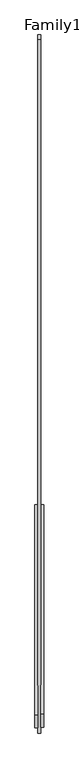
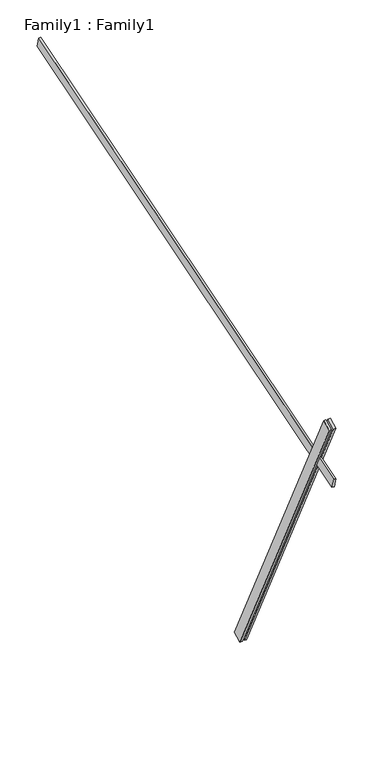
"""IFC4 building model written with IfcOpenShell, lengths in millimetres: proxy geometry, Family1 : Family1."""

import ifcopenshell
import ifcopenshell.guid

model = None  # the IFC model being written
_history = None  # IfcOwnerHistory: only IFC2X3 demands one
_inside = {}  # id of a spatial element -> (the spatial element, [elements in it])
_under = {}  # id of a project, library or spatial element -> (it, [spatial elements below it])
_declared = {}  # id of a project -> (the project, [libraries it declares])
_typed = {}  # id of a type object -> (the type object, [elements of that type])
_made_of = {}  # id of a material, layer set ... -> (it, [elements and type objects made of it])


def new_model(schema):
    """Start an empty IFC model of exactly this schema.

    Asked for "IFC4X3", IfcOpenShell would pick the latest addendum, in which some entities
    have other attributes; the version numbers below select the first issue.
    IFC2X3 requires an IfcOwnerHistory on every rooted entity: one is made here for all.
    """
    global model, _history
    if schema == "IFC4X3":
        model = ifcopenshell.file(schema_version=(4, 3, 0, 0))
    else:
        model = ifcopenshell.file(schema=schema)
    _inside.clear()
    _under.clear()
    _declared.clear()
    _typed.clear()
    _made_of.clear()
    _history = None
    if model.schema == "IFC2X3":
        org = make("IfcOrganization", Name="unknown")
        user = make(
            "IfcPersonAndOrganization",
            ThePerson=make("IfcPerson", FamilyName="unknown"),
            TheOrganization=org,
        )
        app = make(
            "IfcApplication",
            ApplicationDeveloper=org,
            Version="unknown",
            ApplicationFullName="unknown",
            ApplicationIdentifier="unknown",
        )
        _history = make(
            "IfcOwnerHistory",
            OwningUser=user,
            OwningApplication=app,
            ChangeAction="ADDED",
            CreationDate=0,
        )
    return model


def make(cls, **values):
    """One entity of the class cls with the attributes given. An attribute that is None is left unset."""
    return model.create_entity(
        cls, **{name: value for name, value in values.items() if value is not None}
    )


def rooted(cls, **values):
    """An entity with a GlobalId (a new one), such as an element, a storey or a relation."""
    return make(cls, GlobalId=ifcopenshell.guid.new(), OwnerHistory=_history, **values)


def si_unit(unit_type, name, prefix=None):
    """IfcSIUnit, for example si_unit("LENGTHUNIT", "METRE", prefix="MILLI")."""
    return make("IfcSIUnit", UnitType=unit_type, Prefix=prefix, Name=name)


def assignment(units):
    """IfcUnitAssignment: the units of a project."""
    return None if units is None else make("IfcUnitAssignment", Units=units)


def point(xyz):
    """IfcCartesianPoint."""
    return None if xyz is None else make("IfcCartesianPoint", Coordinates=xyz)


def direction(xyz):
    """IfcDirection."""
    return None if xyz is None else make("IfcDirection", DirectionRatios=xyz)


def frame(location, z_axis=None, x_axis=None):
    """IfcAxis2Placement3D, a coordinate frame: its origin and axes. An axis left out is left unset."""
    return make(
        "IfcAxis2Placement3D",
        Location=point(location),
        Axis=direction(z_axis),
        RefDirection=direction(x_axis),
    )


def origin():
    """The frame at (0, 0, 0) with its axes left unset."""
    return frame((0.0, 0.0, 0.0))


def place(relative_to, where):
    """IfcLocalPlacement: puts the frame where relative to a parent placement (None: the world)."""
    return make(
        "IfcLocalPlacement", PlacementRelTo=relative_to, RelativePlacement=where
    )


def context(
    kind, dimensions, precision=None, world=None, true_north=None, identifier=None
):
    """IfcGeometricRepresentationContext, for example the 3D "Model" context."""
    return make(
        "IfcGeometricRepresentationContext",
        ContextIdentifier=identifier,
        ContextType=kind,
        CoordinateSpaceDimension=dimensions,
        Precision=precision,
        WorldCoordinateSystem=world,
        TrueNorth=true_north,
    )


def project(units=None, contexts=None):
    """IfcProject with its units and contexts."""
    return rooted(
        "IfcProject",
        Name="project",
        RepresentationContexts=contexts,
        UnitsInContext=assignment(units),
    )


def spatial(cls, under=None, at=None, **own):
    """A site, building, storey or space (cls), placed at a placement, below another one or the project."""
    s = rooted(cls, ObjectPlacement=at, **own)
    if under is not None:
        _under.setdefault(under.id(), (under, []))[1].append(s)
    return s


def polyline(points):
    """IfcPolyline through the points."""
    return make("IfcPolyline", Points=[point(p) for p in points])


def outline(outer, holes=None, kind="AREA"):
    """IfcArbitraryClosedProfileDef: a profile drawn as a closed curve; with holes, ...WithVoids."""
    if holes is None:
        return make("IfcArbitraryClosedProfileDef", ProfileType=kind, OuterCurve=outer)
    return make(
        "IfcArbitraryProfileDefWithVoids",
        ProfileType=kind,
        OuterCurve=outer,
        InnerCurves=holes,
    )


def extrude(swept, where, along, depth):
    """IfcExtrudedAreaSolid: the profile swept, set in the frame where, extruded along a direction by depth."""
    return make(
        "IfcExtrudedAreaSolid",
        SweptArea=swept,
        Position=where,
        ExtrudedDirection=direction(along),
        Depth=depth,
    )


def shape(context_of_items, identifier, shape_type, items):
    """IfcShapeRepresentation: the items that make up one representation, for example the "Body"."""
    return make(
        "IfcShapeRepresentation",
        ContextOfItems=context_of_items,
        RepresentationIdentifier=identifier,
        RepresentationType=shape_type,
        Items=items,
    )


def source(mapping_origin, context_of_items, identifier, shape_type, items):
    """IfcRepresentationMap: a shape defined once, which mapped items show again and again."""
    return make(
        "IfcRepresentationMap",
        MappingOrigin=mapping_origin,
        MappedRepresentation=shape(context_of_items, identifier, shape_type, items),
    )


def transform(
    local_origin,
    x_axis=None,
    y_axis=None,
    z_axis=None,
    scale=None,
    scale2=None,
    scale3=None,
    uniform=True,
):
    """IfcCartesianTransformationOperator3D, or its non-uniform kind. x_axis, y_axis, z_axis: its Axis1, 2, 3."""
    if uniform:
        return make(
            "IfcCartesianTransformationOperator3D",
            Axis1=direction(x_axis),
            Axis2=direction(y_axis),
            LocalOrigin=point(local_origin),
            Scale=scale,
            Axis3=direction(z_axis),
        )
    return make(
        "IfcCartesianTransformationOperator3DnonUniform",
        Axis1=direction(x_axis),
        Axis2=direction(y_axis),
        LocalOrigin=point(local_origin),
        Scale=scale,
        Axis3=direction(z_axis),
        Scale2=scale2,
        Scale3=scale3,
    )


def mapped(mapping_source, mapping_target):
    """IfcMappedItem: shows the shape of a source again, moved by a transform."""
    return make(
        "IfcMappedItem", MappingSource=mapping_source, MappingTarget=mapping_target
    )


def made_of(thing, what):
    """Note that an element or type object is made of a material, layer set ...; save() writes the relation."""
    if what is not None:
        _made_of.setdefault(what.id(), (what, []))[1].append(thing)
    return thing


def element(
    cls,
    number,
    at=None,
    inside=None,
    cuts=None,
    type_object=None,
    material=None,
    context=None,
    identifier="Body",
    shape_type=None,
    held_by="IfcProductDefinitionShape",
    body=None,
    shapes=None,
    **own,
):
    """One element of the class cls, such as IfcWall. Its Tag is "e" and its number.

    at: its placement. inside: the storey or other place that contains it. cuts: it is an
    opening in that element (IfcRelVoidsElement). A single representation is given by context,
    identifier, shape_type and body (its items); several are given by shapes. held_by: the class
    of the entity that holds the representations. save() writes the other relations.
    """
    e = rooted(cls, Tag="e%d" % number, ObjectPlacement=at, **own)
    if body is not None:
        shapes = [shape(context, identifier, shape_type, body)]
    if shapes is not None:
        e.Representation = make(held_by, Representations=shapes)
    if inside is not None:
        _inside.setdefault(inside.id(), (inside, []))[1].append(e)
    if cuts is not None:
        rooted(
            "IfcRelVoidsElement", RelatingBuildingElement=cuts, RelatedOpeningElement=e
        )
    if type_object is not None:
        _typed.setdefault(type_object.id(), (type_object, []))[1].append(e)
    return made_of(e, material)


def aggregate(whole, parts):
    """IfcRelAggregates: a whole, such as a stair, and the parts it consists of."""
    return rooted("IfcRelAggregates", RelatingObject=whole, RelatedObjects=parts)


def save(model, path):
    """Write the relations noted so far, then the file.

    IfcRelAggregates (storeys below a building ...), IfcRelContainedInSpatialStructure (elements
    in a storey), IfcRelDefinesByType, IfcRelAssociatesMaterial and IfcRelDeclares: one each for
    every whole, place, type object, material and project.
    """
    for whole, parts in _under.values():
        aggregate(whole, parts)
    for where, things in _inside.values():
        rooted(
            "IfcRelContainedInSpatialStructure",
            RelatedElements=things,
            RelatingStructure=where,
        )
    for kind, things in _typed.values():
        rooted("IfcRelDefinesByType", RelatedObjects=things, RelatingType=kind)
    for what, things in _made_of.values():
        rooted("IfcRelAssociatesMaterial", RelatedObjects=things, RelatingMaterial=what)
    for by, libraries in _declared.values():
        rooted("IfcRelDeclares", RelatingContext=by, RelatedDefinitions=libraries)
    model.write(path)


def family1_family1_42ce0576(model_context):
    return source(origin(), model_context, "Body", "SweptSolid", [
        extrude(outline(polyline([(0.0, 0.0), (-100.0000001, 0.0), (-100.0000001, 20.0), (0.0, 20.0), (0.0, 0.0)])), frame((-30.0, -46.3241747, -22.5938096), z_axis=(0.0, -0.4383711467890692, 0.8987940462991711), x_axis=(0.0, -0.8987940462991711, -0.4383711467890692)), (0.0, 0.0, 1.0), 3300.0),
        extrude(outline(polyline([(0.0, 0.0), (-99.9999999, 0.0), (-99.9999999, 20.0), (0.0, 20.0), (0.0, 0.0)])), frame((10.0, -45.270232, -22.0797674), z_axis=(0.0, -0.4383711467890692, 0.8987940462991711), x_axis=(0.0, -0.8987940462991711, -0.4383711467890692)), (0.0, 0.0, 1.0), 3300.0),
        extrude(outline(polyline([(0.0, 20.0), (5000.0, 20.0), (5000.0, 0.0), (0.0, 0.0), (0.0, 20.0)])), frame((-10.0, 3280.150104, 3842.4470948), z_axis=(0.0, -0.29237170472273877, 0.9563047559630349), x_axis=(0.0, -0.9563047559630349, -0.29237170472273877)), (0.0, 0.0, 1.0), 100.0),
    ])


if __name__ == "__main__":
    model = new_model("IFC4")
    model_context = context("Model", 3, world=origin())
    ifc_project = project(units=[si_unit("LENGTHUNIT", "METRE", prefix="MILLI")], contexts=[model_context])
    site = spatial("IfcSite", under=ifc_project)
    building = spatial("IfcBuilding", under=site)
    placement = place(None, origin())
    family1_family1_shape = family1_family1_42ce0576(model_context)
    element("IfcBuildingElementProxy", 1, Name="Family1 : Family1", ObjectType="Family1 : Family1", at=placement, inside=building, context=model_context, shape_type="MappedRepresentation", body=[
        mapped(family1_family1_shape, transform((0.0, 0.0, 0.0), x_axis=(1.0, 0.0, 0.0), y_axis=(0.0, 1.0, 0.0), z_axis=(0.0, 0.0, 1.0))),
    ])
    save(model, "model.ifc")
